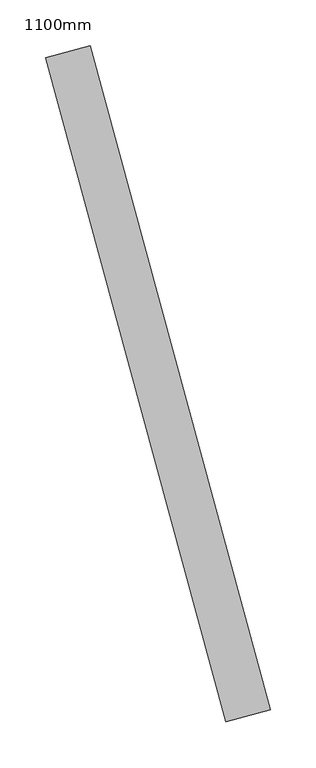
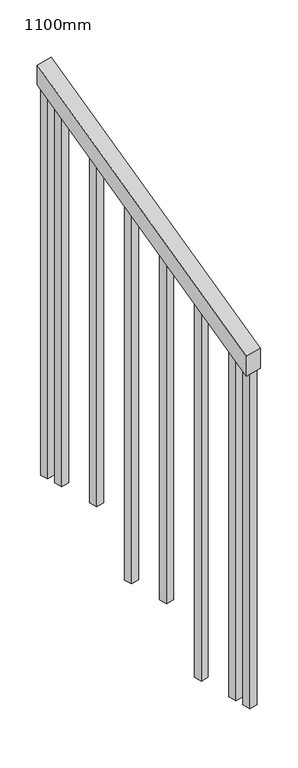
"""IFC4 building model written with IfcOpenShell, lengths in millimetres: railing geometry, 1100mm."""

import ifcopenshell
import ifcopenshell.guid

model = None  # the IFC model being written
_history = None  # IfcOwnerHistory: only IFC2X3 demands one
_inside = {}  # id of a spatial element -> (the spatial element, [elements in it])
_under = {}  # id of a project, library or spatial element -> (it, [spatial elements below it])
_declared = {}  # id of a project -> (the project, [libraries it declares])
_typed = {}  # id of a type object -> (the type object, [elements of that type])
_made_of = {}  # id of a material, layer set ... -> (it, [elements and type objects made of it])


def new_model(schema):
    """Start an empty IFC model of exactly this schema.

    Asked for "IFC4X3", IfcOpenShell would pick the latest addendum, in which some entities
    have other attributes; the version numbers below select the first issue.
    IFC2X3 requires an IfcOwnerHistory on every rooted entity: one is made here for all.
    """
    global model, _history
    if schema == "IFC4X3":
        model = ifcopenshell.file(schema_version=(4, 3, 0, 0))
    else:
        model = ifcopenshell.file(schema=schema)
    _inside.clear()
    _under.clear()
    _declared.clear()
    _typed.clear()
    _made_of.clear()
    _history = None
    if model.schema == "IFC2X3":
        org = make("IfcOrganization", Name="unknown")
        user = make(
            "IfcPersonAndOrganization",
            ThePerson=make("IfcPerson", FamilyName="unknown"),
            TheOrganization=org,
        )
        app = make(
            "IfcApplication",
            ApplicationDeveloper=org,
            Version="unknown",
            ApplicationFullName="unknown",
            ApplicationIdentifier="unknown",
        )
        _history = make(
            "IfcOwnerHistory",
            OwningUser=user,
            OwningApplication=app,
            ChangeAction="ADDED",
            CreationDate=0,
        )
    return model


def make(cls, **values):
    """One entity of the class cls with the attributes given. An attribute that is None is left unset."""
    return model.create_entity(
        cls, **{name: value for name, value in values.items() if value is not None}
    )


def rooted(cls, **values):
    """An entity with a GlobalId (a new one), such as an element, a storey or a relation."""
    return make(cls, GlobalId=ifcopenshell.guid.new(), OwnerHistory=_history, **values)


def si_unit(unit_type, name, prefix=None):
    """IfcSIUnit, for example si_unit("LENGTHUNIT", "METRE", prefix="MILLI")."""
    return make("IfcSIUnit", UnitType=unit_type, Prefix=prefix, Name=name)


def assignment(units):
    """IfcUnitAssignment: the units of a project."""
    return None if units is None else make("IfcUnitAssignment", Units=units)


def point(xyz):
    """IfcCartesianPoint."""
    return None if xyz is None else make("IfcCartesianPoint", Coordinates=xyz)


def direction(xyz):
    """IfcDirection."""
    return None if xyz is None else make("IfcDirection", DirectionRatios=xyz)


def frame(location, z_axis=None, x_axis=None):
    """IfcAxis2Placement3D, a coordinate frame: its origin and axes. An axis left out is left unset."""
    return make(
        "IfcAxis2Placement3D",
        Location=point(location),
        Axis=direction(z_axis),
        RefDirection=direction(x_axis),
    )


def origin():
    """The frame at (0, 0, 0) with its axes left unset."""
    return frame((0.0, 0.0, 0.0))


def place(relative_to, where):
    """IfcLocalPlacement: puts the frame where relative to a parent placement (None: the world)."""
    return make(
        "IfcLocalPlacement", PlacementRelTo=relative_to, RelativePlacement=where
    )


def context(
    kind, dimensions, precision=None, world=None, true_north=None, identifier=None
):
    """IfcGeometricRepresentationContext, for example the 3D "Model" context."""
    return make(
        "IfcGeometricRepresentationContext",
        ContextIdentifier=identifier,
        ContextType=kind,
        CoordinateSpaceDimension=dimensions,
        Precision=precision,
        WorldCoordinateSystem=world,
        TrueNorth=true_north,
    )


def project(units=None, contexts=None):
    """IfcProject with its units and contexts."""
    return rooted(
        "IfcProject",
        Name="project",
        RepresentationContexts=contexts,
        UnitsInContext=assignment(units),
    )


def spatial(cls, under=None, at=None, **own):
    """A site, building, storey or space (cls), placed at a placement, below another one or the project."""
    s = rooted(cls, ObjectPlacement=at, **own)
    if under is not None:
        _under.setdefault(under.id(), (under, []))[1].append(s)
    return s


def polyline(points):
    """IfcPolyline through the points."""
    return make("IfcPolyline", Points=[point(p) for p in points])


def outline(outer, holes=None, kind="AREA"):
    """IfcArbitraryClosedProfileDef: a profile drawn as a closed curve; with holes, ...WithVoids."""
    if holes is None:
        return make("IfcArbitraryClosedProfileDef", ProfileType=kind, OuterCurve=outer)
    return make(
        "IfcArbitraryProfileDefWithVoids",
        ProfileType=kind,
        OuterCurve=outer,
        InnerCurves=holes,
    )


def extrude(swept, where, along, depth):
    """IfcExtrudedAreaSolid: the profile swept, set in the frame where, extruded along a direction by depth."""
    return make(
        "IfcExtrudedAreaSolid",
        SweptArea=swept,
        Position=where,
        ExtrudedDirection=direction(along),
        Depth=depth,
    )


def shape(context_of_items, identifier, shape_type, items):
    """IfcShapeRepresentation: the items that make up one representation, for example the "Body"."""
    return make(
        "IfcShapeRepresentation",
        ContextOfItems=context_of_items,
        RepresentationIdentifier=identifier,
        RepresentationType=shape_type,
        Items=items,
    )


def source(mapping_origin, context_of_items, identifier, shape_type, items):
    """IfcRepresentationMap: a shape defined once, which mapped items show again and again."""
    return make(
        "IfcRepresentationMap",
        MappingOrigin=mapping_origin,
        MappedRepresentation=shape(context_of_items, identifier, shape_type, items),
    )


def transform(
    local_origin,
    x_axis=None,
    y_axis=None,
    z_axis=None,
    scale=None,
    scale2=None,
    scale3=None,
    uniform=True,
):
    """IfcCartesianTransformationOperator3D, or its non-uniform kind. x_axis, y_axis, z_axis: its Axis1, 2, 3."""
    if uniform:
        return make(
            "IfcCartesianTransformationOperator3D",
            Axis1=direction(x_axis),
            Axis2=direction(y_axis),
            LocalOrigin=point(local_origin),
            Scale=scale,
            Axis3=direction(z_axis),
        )
    return make(
        "IfcCartesianTransformationOperator3DnonUniform",
        Axis1=direction(x_axis),
        Axis2=direction(y_axis),
        LocalOrigin=point(local_origin),
        Scale=scale,
        Axis3=direction(z_axis),
        Scale2=scale2,
        Scale3=scale3,
    )


def mapped(mapping_source, mapping_target):
    """IfcMappedItem: shows the shape of a source again, moved by a transform."""
    return make(
        "IfcMappedItem", MappingSource=mapping_source, MappingTarget=mapping_target
    )


def made_of(thing, what):
    """Note that an element or type object is made of a material, layer set ...; save() writes the relation."""
    if what is not None:
        _made_of.setdefault(what.id(), (what, []))[1].append(thing)
    return thing


def element(
    cls,
    number,
    at=None,
    inside=None,
    cuts=None,
    type_object=None,
    material=None,
    context=None,
    identifier="Body",
    shape_type=None,
    held_by="IfcProductDefinitionShape",
    body=None,
    shapes=None,
    **own,
):
    """One element of the class cls, such as IfcWall. Its Tag is "e" and its number.

    at: its placement. inside: the storey or other place that contains it. cuts: it is an
    opening in that element (IfcRelVoidsElement). A single representation is given by context,
    identifier, shape_type and body (its items); several are given by shapes. held_by: the class
    of the entity that holds the representations. save() writes the other relations.
    """
    e = rooted(cls, Tag="e%d" % number, ObjectPlacement=at, **own)
    if body is not None:
        shapes = [shape(context, identifier, shape_type, body)]
    if shapes is not None:
        e.Representation = make(held_by, Representations=shapes)
    if inside is not None:
        _inside.setdefault(inside.id(), (inside, []))[1].append(e)
    if cuts is not None:
        rooted(
            "IfcRelVoidsElement", RelatingBuildingElement=cuts, RelatedOpeningElement=e
        )
    if type_object is not None:
        _typed.setdefault(type_object.id(), (type_object, []))[1].append(e)
    return made_of(e, material)


def aggregate(whole, parts):
    """IfcRelAggregates: a whole, such as a stair, and the parts it consists of."""
    return rooted("IfcRelAggregates", RelatingObject=whole, RelatedObjects=parts)


def save(model, path):
    """Write the relations noted so far, then the file.

    IfcRelAggregates (storeys below a building ...), IfcRelContainedInSpatialStructure (elements
    in a storey), IfcRelDefinesByType, IfcRelAssociatesMaterial and IfcRelDeclares: one each for
    every whole, place, type object, material and project.
    """
    for whole, parts in _under.values():
        aggregate(whole, parts)
    for where, things in _inside.values():
        rooted(
            "IfcRelContainedInSpatialStructure",
            RelatedElements=things,
            RelatingStructure=where,
        )
    for kind, things in _typed.values():
        rooted("IfcRelDefinesByType", RelatedObjects=things, RelatingType=kind)
    for what, things in _made_of.values():
        rooted("IfcRelAssociatesMaterial", RelatedObjects=things, RelatingMaterial=what)
    for by, libraries in _declared.values():
        rooted("IfcRelDeclares", RelatingContext=by, RelatedDefinitions=libraries)
    model.write(path)


def railing_1100mm_adf99281(model_context):
    return source(origin(), model_context, "Body", "SweptSolid", [
        extrude(outline(polyline([(-35.5555555, -50.0), (0.0, 0.0), (920.2958462, 0.0), (884.7402906, -50.0), (-35.5555555, -50.0)])), frame((186690.1079233, -74704.5815064, 1277.7777778), z_axis=(0.9649894123601852, 0.2622888370341833, 0.0), x_axis=(-0.21375368431595734, 0.7864232597554186, 0.5795237863599868)), (0.0, 0.0, 1.0), 50.0),
        extrude(outline(polyline([(108.8888889, 0.0), (91.1111112, 25.0), (1271.980277, 25.0), (1271.980277, 0.0), (108.8888889, 0.0)])), frame((186525.1253259, -74049.9350426, 1805.3136103), z_axis=(0.9649894123601821, 0.2622888370341949, 0.0), x_axis=(0.0, 0.0, -1.0)), (0.0, 0.0, 1.0), 25.0),
        extrude(outline(polyline([(108.8888889, 0.0), (91.1111111, 25.0), (1183.0913881, 25.0), (1183.0913881, 0.0), (108.8888889, 0.0)])), frame((186557.9114305, -74170.5587191, 1716.4247214), z_axis=(0.9649894123601821, 0.2622888370341949, 0.0), x_axis=(0.0, 0.0, -1.0)), (0.0, 0.0, 1.0), 25.0),
        extrude(outline(polyline([(108.8888889, 0.0), (91.1111111, 25.0), (1271.9802769, 25.0), (1271.9802769, 0.0), (108.8888889, 0.0)])), frame((186590.6975352, -74291.1823957, 1627.5358325), z_axis=(0.9649894123601821, 0.2622888370341949, 0.0), x_axis=(0.0, 0.0, -1.0)), (0.0, 0.0, 1.0), 25.0),
        extrude(outline(polyline([(108.8888889, 0.0), (91.1111111, 25.0), (1183.091388, 25.0), (1183.091388, 0.0), (108.8888889, 0.0)])), frame((186623.4836398, -74411.8060722, 1538.6469436), z_axis=(0.9649894123601821, 0.2622888370341949, 0.0), x_axis=(0.0, 0.0, -1.0)), (0.0, 0.0, 1.0), 25.0),
        extrude(outline(polyline([(108.8888889, 0.0), (91.1111111, 25.0000001), (1271.9802769, 25.0000001), (1271.9802769, 0.0), (108.8888889, 0.0)])), frame((186656.2697444, -74532.4297488, 1449.7580547), z_axis=(0.9649894123601821, 0.2622888370341949, 0.0), x_axis=(0.0, 0.0, -1.0)), (0.0, 0.0, 1.0), 25.0),
        extrude(outline(polyline([(108.8888889, 0.0), (91.1111111, 25.0), (1183.091388, 25.0), (1183.091388, 0.0), (108.8888889, 0.0)])), frame((186689.0558491, -74653.0534253, 1360.8691658), z_axis=(0.9649894123601821, 0.2622888370341949, 0.0), x_axis=(0.0, 0.0, -1.0)), (0.0, 0.0, 1.0), 25.0),
        extrude(outline(polyline([(108.8888889, 0.0), (91.1111111, 25.0000001), (1307.5358325, 25.0000001), (1307.5358325, 0.0), (108.8888889, 0.0)])), frame((186512.0108841, -74001.685572, 1840.8691658), z_axis=(0.9649894123601821, 0.2622888370341949, 0.0), x_axis=(0.0, 0.0, -1.0)), (0.0, 0.0, 1.0), 25.0),
        extrude(outline(polyline([(108.8888889, 0.0), (91.1111112, 25.0), (1147.5358325, 25.0), (1147.5358325, 0.0), (108.8888889, 0.0)])), frame((186702.1702909, -74701.3028959, 1325.3136103), z_axis=(0.9649894123601821, 0.2622888370341949, 0.0), x_axis=(0.0, 0.0, -1.0)), (0.0, 0.0, 1.0), 25.0),
    ])


if __name__ == "__main__":
    model = new_model("IFC4")
    model_context = context("Model", 3, world=origin())
    ifc_project = project(units=[si_unit("LENGTHUNIT", "METRE", prefix="MILLI")], contexts=[model_context])
    site = spatial("IfcSite", under=ifc_project)
    building = spatial("IfcBuilding", under=site)
    placement = place(None, origin())
    railing_1100mm_shape = railing_1100mm_adf99281(model_context)
    element("IfcRailing", 1, ObjectType="1100mm", at=placement, inside=building, context=model_context, shape_type="MappedRepresentation", body=[
        mapped(railing_1100mm_shape, transform((0.0, 0.0, 0.0), x_axis=(1.0, 0.0, 0.0), y_axis=(0.0, 1.0, 0.0), z_axis=(0.0, 0.0, 1.0))),
    ])
    save(model, "model.ifc")
